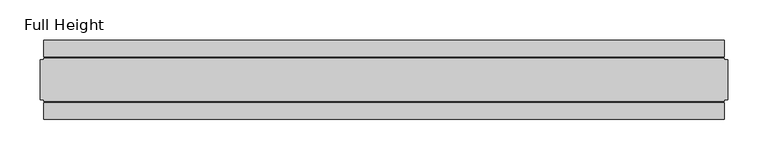
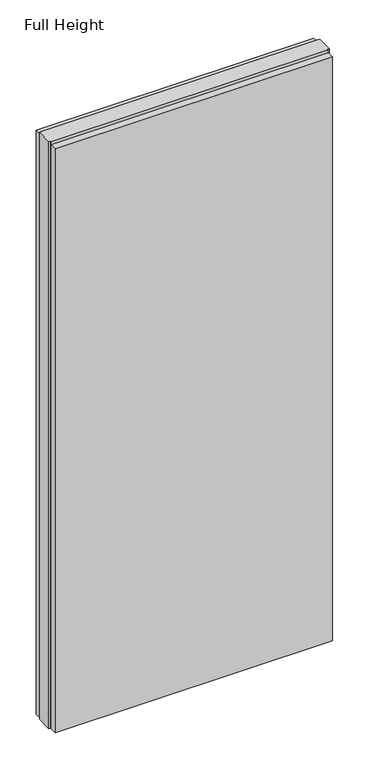
"""IFC4 building model written with IfcOpenShell, lengths in millimetres: plate geometry, Full Height."""

from ifc_helpers import new_model, si_unit, origin, origin_with_axes, place, context, project, spatial, polyline, outline, extrude, source, transform, mapped, element, save


def full_height_c947c60e(model_context):
    return source(origin(), model_context, "Body", "SweptSolid", [
        extrude(outline(polyline([(424.8463685, -28.956), (424.8463685, -49.53), (-424.8463685, -49.53), (-424.8463685, -28.956), (424.8463685, -28.956)])), origin_with_axes(), (0.0, 0.0, 1.0), 1889.252),
        extrude(outline(polyline([(424.8463685, 28.956), (-424.8463685, 28.956), (-424.8463685, 49.53), (424.8463685, 49.53), (424.8463685, 28.956)])), origin_with_axes(), (0.0, 0.0, 1.0), 1889.252),
        extrude(outline(polyline([(424.8463685, 25.146), (429.4183685, 25.146), (429.4183685, -25.146), (424.8463685, -25.146), (424.8463685, -26.67), (-424.8463685, -26.67), (-424.8463685, -25.146), (-429.4183685, -25.146), (-429.4183685, 25.146), (-424.8463685, 25.146), (-424.8463685, 26.67), (424.8463685, 26.67), (424.8463685, 25.146)])), origin_with_axes(), (0.0, 0.0, 1.0), 1898.396),
    ])


if __name__ == "__main__":
    model = new_model("IFC4")
    model_context = context("Model", 3, world=origin())
    ifc_project = project(units=[si_unit("LENGTHUNIT", "METRE", prefix="MILLI")], contexts=[model_context])
    site = spatial("IfcSite", under=ifc_project)
    building = spatial("IfcBuilding", under=site)
    placement = place(None, origin())
    full_height_shape = full_height_c947c60e(model_context)
    element("IfcPlate", 1, ObjectType="Full Height", at=placement, inside=building, context=model_context, shape_type="MappedRepresentation", body=[
        mapped(full_height_shape, transform((0.0, 0.0, 0.0), x_axis=(1.0, 0.0, 0.0), y_axis=(0.0, 1.0, 0.0), z_axis=(0.0, 0.0, 1.0))),
    ])
    save(model, "model.ifc")
